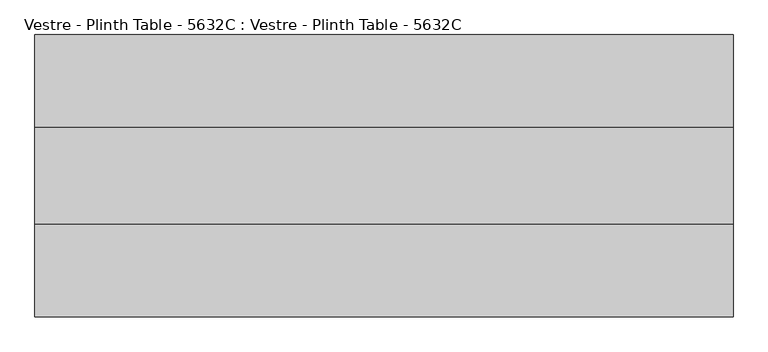
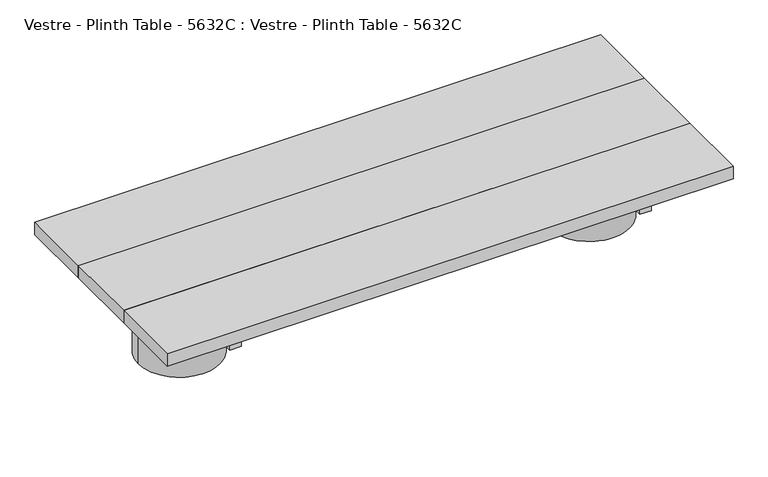
"""IFC4 building model written with IfcOpenShell, lengths in millimetres: furniture geometry, Vestre - Plinth Table - 5632C : Vestre - Plinth Table - 5632C."""

from ifc_helpers import new_model, si_unit, frame, origin, place, context, project, spatial, polyline, circle_curve, outline, extrude, source, transform, mapped, element, save
from ifc_brep_helpers import plane_surface, cylinder_surface, advanced_brep


def vestre_plinth_table_5632c_vestre_plinth_table_5632c_134686df(model_context):
    return source(origin(), model_context, "Body", "SolidModel", [
        extrude(outline(polyline([(760.0005464, -114.9999989), (760.0005464, -324.9999989), (-760.0005464, -324.9999989), (-760.0005464, -114.9999989), (760.0005464, -114.9999989)])), frame((0.0, 0.0, 214.9999847), z_axis=(0.0, 0.0, 1.0), x_axis=(1.0, 0.0, 0.0)), (0.0, 0.0, 1.0), 35.0000153),
        extrude(outline(polyline([(565.4994536, -483.0002308), (535.4811401, -483.0002308), (535.4811401, 43.000233), (565.4994536, 43.000233), (565.4994536, -483.0002308)])), frame((0.0, 0.0, 164.9999847), z_axis=(0.0, 0.0, 1.0), x_axis=(1.0, 0.0, 0.0)), (0.0, 0.0, 1.0), 50.0),
        extrude(outline(polyline([(-535.4811401, -483.0002308), (-565.4994536, -483.0002308), (-565.4994536, 43.000233), (-535.4811401, 43.000233), (-535.4811401, -483.0002308)])), frame((0.0, 0.0, 164.9999847), z_axis=(0.0, 0.0, 1.0), x_axis=(1.0, 0.0, 0.0)), (0.0, 0.0, 1.0), 50.0),
        advanced_brep(
        [(-660.0830351, -219.9999989, 164.9999847), (-442.3211565, -237.5001515, 164.9999847), (-538.5005464, -237.5001515, 164.9999847), (-538.5005464, -202.4998463, 164.9999847), (-442.3211565, -202.4998463, 164.9999847), (-660.0830351, -219.9999989, 0.0), (-440.9147793, -219.9999989, 0.0), (-440.9147793, -219.9999989, 74.9999847), (-442.3211565, -237.5001515, 74.9999847), (-442.3211565, -202.4998463, 74.9999847), (-538.5005464, -237.5001515, 74.9999847), (-538.5005464, -202.4998463, 74.9999847)],
        [
            (0, 1, circle_curve(frame((-550.4989072, -219.9999989, 164.9999847), z_axis=(0.0, 0.0, 1.0), x_axis=(1.0, 0.0, 0.0)), 109.5841279)),
            (1, 2),
            (2, 3),
            (3, 4),
            (4, 0, circle_curve(frame((-550.4989072, -219.9999989, 164.9999847), z_axis=(0.0, 0.0, 1.0), x_axis=(1.0, 0.0, 0.0)), 109.5841279)),
            (5, 6, circle_curve(frame((-550.4989072, -219.9999989, 0.0), z_axis=(0.0, 0.0, -1.0), x_axis=(1.0, 0.0, 0.0)), 109.5841279)),
            (6, 5, circle_curve(frame((-550.4989072, -219.9999989, 0.0), z_axis=(0.0, 0.0, -1.0), x_axis=(1.0, 0.0, 0.0)), 109.5841279)),
            (6, 7),
            (7, 8, circle_curve(frame((-550.4989072, -219.9999989, 74.9999847), z_axis=(0.0, 0.0, -1.0), x_axis=(1.0, 0.0, 0.0)), 109.5841279)),
            (8, 1),
            (0, 5),
            (4, 9),
            (9, 7, circle_curve(frame((-550.4989072, -219.9999989, 74.9999847), z_axis=(0.0, 0.0, -1.0), x_axis=(1.0, 0.0, 0.0)), 109.5841279)),
            (10, 11),
            (11, 3),
            (2, 10),
            (10, 8),
            (9, 11),
        ],
        [
            plane_surface(frame((-440.9147793, -219.9999989, 164.9999847), z_axis=(0.0, 0.0, 1.0), x_axis=(0.0, 1.0, 0.0))),
            plane_surface(frame((-440.9147793, -219.9999989, 0.0), z_axis=(0.0, 0.0, -1.0), x_axis=(0.0, -1.0, 0.0))),
            cylinder_surface(frame((-550.4989072, -219.9999989, 0.0), z_axis=(0.0, 0.0, 1.0), x_axis=(1.0, 0.0, 0.0)), 109.5841279),
            plane_surface(frame((-538.5005464, -202.4998463, 74.9999847), z_axis=(1.0, 0.0, 0.0), x_axis=(0.0, -1.0, 0.0))),
            plane_surface(frame((-420.0, -237.5001515, 74.9999847), z_axis=(0.0, 0.0, 1.0), x_axis=(-1.0, 0.0, 0.0))),
            plane_surface(frame((-420.0, -202.4998463, 74.9999847), z_axis=(0.0, -1.0, 0.0), x_axis=(-1.0, 0.0, 0.0))),
            plane_surface(frame((-420.0, -237.5001515, 164.9999847), z_axis=(0.0, 1.0, 0.0), x_axis=(-1.0, 0.0, 0.0))),
        ],
        [
            (0, [[1, 2, 3, 4, 5]]),
            (1, [[6, 7]]),
            (2, [[-7, 8, 9, 10, -1, 11]]),
            (2, [[-6, -11, -5, 12, 13, -8]]),
            (3, [[14, 15, -3, 16]]),
            (4, [[-14, 17, -9, -13, 18]]),
            (5, [[-15, -18, -12, -4]]),
            (6, [[-16, -2, -10, -17]]),
        ],
    ),
        advanced_brep(
        [(538.5005464, -237.5001515, 74.9999847), (538.5005464, -237.5001515, 164.9999847), (538.5005464, -202.4998463, 164.9999847), (538.5005464, -202.4998463, 74.9999847), (442.3211565, -202.4998463, 74.9999847), (440.9147793, -219.9999989, 74.9999847), (442.3211565, -237.5001515, 74.9999847), (442.3211565, -202.4998463, 164.9999847), (442.3211565, -237.5001515, 164.9999847), (660.0830351, -219.9999989, 164.9999847), (660.0830351, -219.9999989, 0.0), (440.9147793, -219.9999989, 0.0)],
        [
            (0, 1),
            (1, 2),
            (2, 3),
            (3, 0),
            (3, 4),
            (4, 5, circle_curve(frame((550.4989072, -219.9999989, 74.9999847), z_axis=(0.0, 0.0, 1.0), x_axis=(-1.0, 0.0, 0.0)), 109.5841279)),
            (5, 6, circle_curve(frame((550.4989072, -219.9999989, 74.9999847), z_axis=(0.0, 0.0, 1.0), x_axis=(-1.0, 0.0, 0.0)), 109.5841279)),
            (6, 0),
            (2, 7),
            (7, 4),
            (6, 8),
            (8, 1),
            (9, 7, circle_curve(frame((550.4989072, -219.9999989, 164.9999847), z_axis=(0.0, 0.0, 1.0), x_axis=(-1.0, 0.0, 0.0)), 109.5841279)),
            (8, 9, circle_curve(frame((550.4989072, -219.9999989, 164.9999847), z_axis=(0.0, 0.0, 1.0), x_axis=(-1.0, 0.0, 0.0)), 109.5841279)),
            (10, 11, circle_curve(frame((550.4989072, -219.9999989, 0.0), z_axis=(0.0, 0.0, -1.0), x_axis=(-1.0, 0.0, 0.0)), 109.5841279)),
            (11, 10, circle_curve(frame((550.4989072, -219.9999989, 0.0), z_axis=(0.0, 0.0, -1.0), x_axis=(-1.0, 0.0, 0.0)), 109.5841279)),
            (10, 9),
            (5, 11),
        ],
        [
            plane_surface(frame((538.5005464, -237.5001515, 74.9999847), z_axis=(-1.0, 0.0, 0.0), x_axis=(0.0, 0.0, -1.0))),
            plane_surface(frame((420.0, -202.4998463, 74.9999847), z_axis=(0.0, 0.0, 1.0), x_axis=(1.0, 0.0, 0.0))),
            plane_surface(frame((420.0, -202.4998463, 164.9999847), z_axis=(0.0, -1.0, 0.0), x_axis=(1.0, 0.0, 0.0))),
            plane_surface(frame((420.0, -237.5001515, 74.9999847), z_axis=(0.0, 1.0, 0.0), x_axis=(1.0, 0.0, 0.0))),
            plane_surface(frame((440.9147793, -219.9999989, 164.9999847), z_axis=(0.0, 0.0, 1.0), x_axis=(0.0, -1.0, 0.0))),
            plane_surface(frame((440.9147793, -219.9999989, 0.0), z_axis=(0.0, 0.0, -1.0), x_axis=(0.0, 1.0, 0.0))),
            cylinder_surface(frame((550.4989072, -219.9999989, 0.0), z_axis=(0.0, 0.0, 1.0), x_axis=(-1.0, 0.0, 0.0)), 109.5841279),
        ],
        [
            (0, [[1, 2, 3, 4]]),
            (1, [[-4, 5, 6, 7, 8]]),
            (2, [[-3, 9, 10, -5]]),
            (3, [[-1, -8, 11, 12]]),
            (4, [[13, -9, -2, -12, 14]]),
            (5, [[15, 16]]),
            (6, [[-15, 17, -14, -11, -7, 18]]),
            (6, [[-16, -18, -6, -10, -13, -17]]),
        ],
    ),
        extrude(outline(polyline([(538.5005464, -202.4998463), (538.5005464, -237.5001515), (-538.5005464, -237.5001515), (-538.5005464, -202.4998463), (538.5005464, -202.4998463)])), frame((0.0, 0.0, 74.9999847), z_axis=(0.0, 0.0, 1.0), x_axis=(1.0, 0.0, 0.0)), (0.0, 0.0, 1.0), 90.0),
        extrude(outline(polyline([(760.0005464, 87.500233), (760.0005464, -114.9999989), (-760.0005464, -114.9999989), (-760.0005464, 87.500233), (760.0005464, 87.500233)])), frame((0.0, 0.0, 214.9999847), z_axis=(0.0, 0.0, 1.0), x_axis=(1.0, 0.0, 0.0)), (0.0, 0.0, 1.0), 35.0000153),
        extrude(outline(polyline([(760.0005464, -324.9999989), (760.0005464, -527.5002308), (-760.0005464, -527.5002308), (-760.0005464, -324.9999989), (760.0005464, -324.9999989)])), frame((0.0, 0.0, 214.9999847), z_axis=(0.0, 0.0, 1.0), x_axis=(1.0, 0.0, 0.0)), (0.0, 0.0, 1.0), 35.0000153),
    ])


if __name__ == "__main__":
    model = new_model("IFC4")
    model_context = context("Model", 3, world=origin())
    ifc_project = project(units=[si_unit("LENGTHUNIT", "METRE", prefix="MILLI")], contexts=[model_context])
    site = spatial("IfcSite", under=ifc_project)
    building = spatial("IfcBuilding", under=site)
    placement = place(None, origin())
    vestre_plinth_table_5632c_vestre_plinth_table_5632c_shape = vestre_plinth_table_5632c_vestre_plinth_table_5632c_134686df(model_context)
    element("IfcFurniture", 1, ObjectType="Vestre - Plinth Table - 5632C : Vestre - Plinth Table - 5632C", at=placement, inside=building, context=model_context, shape_type="MappedRepresentation", body=[
        mapped(vestre_plinth_table_5632c_vestre_plinth_table_5632c_shape, transform((0.0, 0.0, 0.0), x_axis=(1.0, 0.0, 0.0), y_axis=(0.0, 1.0, 0.0), z_axis=(0.0, 0.0, 1.0))),
    ])
    save(model, "model.ifc")
